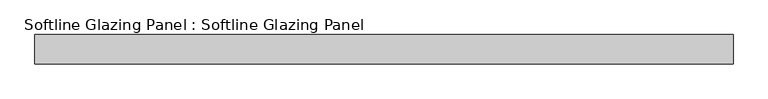
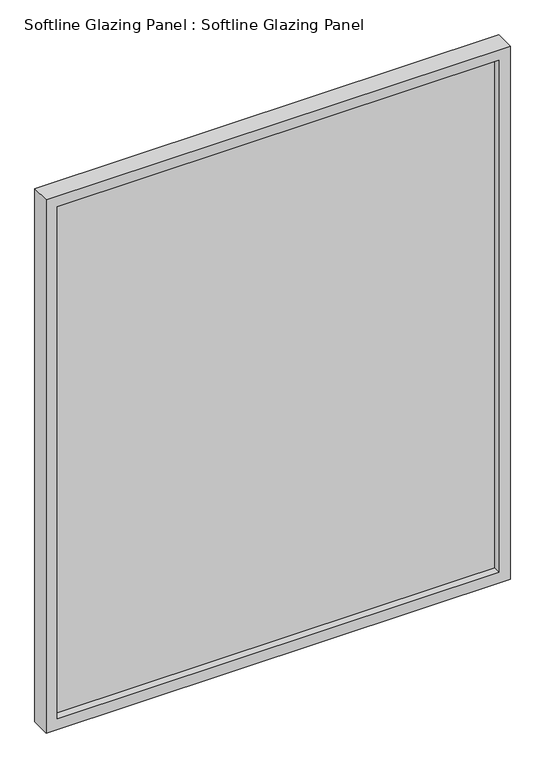
"""IFC4 building model written with IfcOpenShell, lengths in millimetres: plate geometry, Softline Glazing Panel : Softline Glazing Panel."""

from ifc_helpers import new_model, si_unit, frame, origin, place, context, project, spatial, polyline, outline, extrude, faceted_brep, source, transform, mapped, element, save


def softline_glazing_panel_softline_glazing_panel_d29b51bf(model_context):
    return source(origin(), model_context, "Body", "SolidModel", [
        extrude(outline(polyline([(523.25, 4.0), (523.25, -4.0), (-523.25, -4.0), (-523.25, 4.0), (523.25, 4.0)])), frame((0.0, 0.0, 16.0), z_axis=(0.0, 0.0, 1.0), x_axis=(1.0, 0.0, 0.0)), (0.0, 0.0, 1.0), 1277.0),
        faceted_brep([(513.25, 4.0, 26.0), (513.25, 22.5, 26.0), (-513.25, 22.5, 26.0), (-513.25, 4.0, 26.0), (523.25, -4.0, 16.0), (523.25, 4.0, 16.0), (-523.25, 4.0, 16.0), (-523.25, -4.0, 16.0), (513.25, -22.5, 26.0), (513.25, -4.0, 26.0), (-513.25, -4.0, 26.0), (-513.25, -22.5, 26.0), (539.25, 22.5, 0.0), (539.25, -22.5, 0.0), (-539.25, -22.5, 0.0), (-539.25, 22.5, 0.0), (-513.25, 22.5, 1283.0), (-513.25, 4.0, 1283.0), (-523.25, 4.0, 1293.0), (-523.25, -4.0, 1293.0), (-513.25, -4.0, 1283.0), (-513.25, -22.5, 1283.0), (-539.25, -22.5, 1309.0), (-539.25, 22.5, 1309.0), (513.25, 22.5, 1283.0), (513.25, 4.0, 1283.0), (523.25, 4.0, 1293.0), (523.25, -4.0, 1293.0), (513.25, -4.0, 1283.0), (513.25, -22.5, 1283.0), (539.25, -22.5, 1309.0), (539.25, 22.5, 1309.0)], [[[0, 1, 2, 3]], [[4, 5, 6, 7]], [[8, 9, 10, 11]], [[12, 13, 14, 15]], [[3, 2, 16, 17]], [[7, 6, 18, 19]], [[11, 10, 20, 21]], [[15, 14, 22, 23]], [[17, 16, 24, 25]], [[19, 18, 26, 27]], [[21, 20, 28, 29]], [[23, 22, 30, 31]], [[15, 23, 31, 12], [1, 24, 16, 2]], [[25, 24, 1, 0]], [[5, 26, 18, 6], [3, 17, 25, 0]], [[27, 26, 5, 4]], [[7, 19, 27, 4], [9, 28, 20, 10]], [[29, 28, 9, 8]], [[13, 30, 22, 14], [11, 21, 29, 8]], [[31, 30, 13, 12]]]),
    ])


if __name__ == "__main__":
    model = new_model("IFC4")
    model_context = context("Model", 3, world=origin())
    ifc_project = project(units=[si_unit("LENGTHUNIT", "METRE", prefix="MILLI")], contexts=[model_context])
    site = spatial("IfcSite", under=ifc_project)
    building = spatial("IfcBuilding", under=site)
    placement = place(None, origin())
    softline_glazing_panel_softline_glazing_panel_shape = softline_glazing_panel_softline_glazing_panel_d29b51bf(model_context)
    element("IfcPlate", 1, ObjectType="Softline Glazing Panel : Softline Glazing Panel", at=placement, inside=building, context=model_context, shape_type="MappedRepresentation", body=[
        mapped(softline_glazing_panel_softline_glazing_panel_shape, transform((0.0, 0.0, 0.0), x_axis=(1.0, 0.0, 0.0), y_axis=(0.0, 1.0, 0.0), z_axis=(0.0, 0.0, 1.0))),
    ])
    save(model, "model.ifc")
